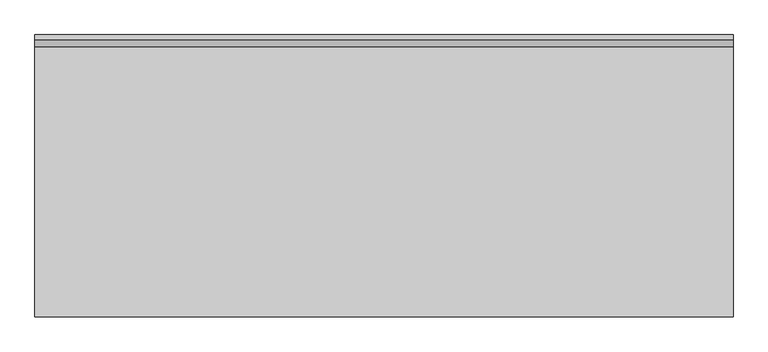
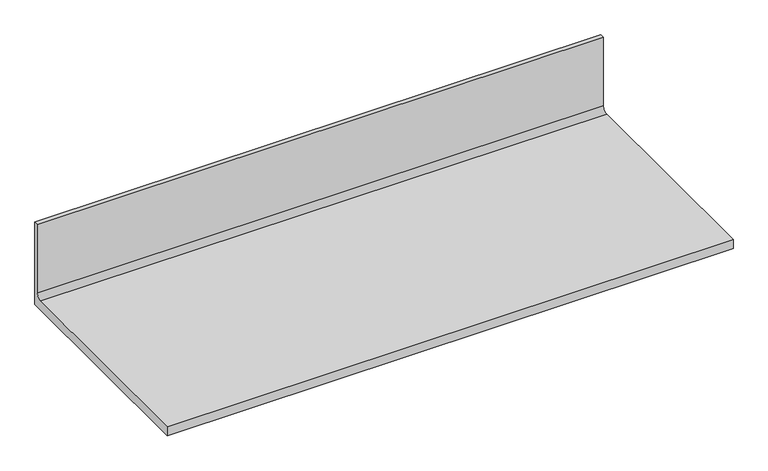
"""IFC4 building model written with IfcOpenShell, lengths in millimetres: furniture geometry."""

import ifcopenshell
import ifcopenshell.guid

model = None  # the IFC model being written
_history = None  # IfcOwnerHistory: only IFC2X3 demands one
_inside = {}  # id of a spatial element -> (the spatial element, [elements in it])
_under = {}  # id of a project, library or spatial element -> (it, [spatial elements below it])
_declared = {}  # id of a project -> (the project, [libraries it declares])
_typed = {}  # id of a type object -> (the type object, [elements of that type])
_made_of = {}  # id of a material, layer set ... -> (it, [elements and type objects made of it])


def new_model(schema):
    """Start an empty IFC model of exactly this schema.

    Asked for "IFC4X3", IfcOpenShell would pick the latest addendum, in which some entities
    have other attributes; the version numbers below select the first issue.
    IFC2X3 requires an IfcOwnerHistory on every rooted entity: one is made here for all.
    """
    global model, _history
    if schema == "IFC4X3":
        model = ifcopenshell.file(schema_version=(4, 3, 0, 0))
    else:
        model = ifcopenshell.file(schema=schema)
    _inside.clear()
    _under.clear()
    _declared.clear()
    _typed.clear()
    _made_of.clear()
    _history = None
    if model.schema == "IFC2X3":
        org = make("IfcOrganization", Name="unknown")
        user = make(
            "IfcPersonAndOrganization",
            ThePerson=make("IfcPerson", FamilyName="unknown"),
            TheOrganization=org,
        )
        app = make(
            "IfcApplication",
            ApplicationDeveloper=org,
            Version="unknown",
            ApplicationFullName="unknown",
            ApplicationIdentifier="unknown",
        )
        _history = make(
            "IfcOwnerHistory",
            OwningUser=user,
            OwningApplication=app,
            ChangeAction="ADDED",
            CreationDate=0,
        )
    return model


def make(cls, **values):
    """One entity of the class cls with the attributes given. An attribute that is None is left unset."""
    return model.create_entity(
        cls, **{name: value for name, value in values.items() if value is not None}
    )


def rooted(cls, **values):
    """An entity with a GlobalId (a new one), such as an element, a storey or a relation."""
    return make(cls, GlobalId=ifcopenshell.guid.new(), OwnerHistory=_history, **values)


def si_unit(unit_type, name, prefix=None):
    """IfcSIUnit, for example si_unit("LENGTHUNIT", "METRE", prefix="MILLI")."""
    return make("IfcSIUnit", UnitType=unit_type, Prefix=prefix, Name=name)


def assignment(units):
    """IfcUnitAssignment: the units of a project."""
    return None if units is None else make("IfcUnitAssignment", Units=units)


def point(xyz):
    """IfcCartesianPoint."""
    return None if xyz is None else make("IfcCartesianPoint", Coordinates=xyz)


def direction(xyz):
    """IfcDirection."""
    return None if xyz is None else make("IfcDirection", DirectionRatios=xyz)


def frame(location, z_axis=None, x_axis=None):
    """IfcAxis2Placement3D, a coordinate frame: its origin and axes. An axis left out is left unset."""
    return make(
        "IfcAxis2Placement3D",
        Location=point(location),
        Axis=direction(z_axis),
        RefDirection=direction(x_axis),
    )


def frame_2d(location, x_axis=None):
    """IfcAxis2Placement2D, a coordinate frame in the plane: its origin and x axis."""
    return make(
        "IfcAxis2Placement2D", Location=point(location), RefDirection=direction(x_axis)
    )


def origin():
    """The frame at (0, 0, 0) with its axes left unset."""
    return frame((0.0, 0.0, 0.0))


def place(relative_to, where):
    """IfcLocalPlacement: puts the frame where relative to a parent placement (None: the world)."""
    return make(
        "IfcLocalPlacement", PlacementRelTo=relative_to, RelativePlacement=where
    )


def context(
    kind, dimensions, precision=None, world=None, true_north=None, identifier=None
):
    """IfcGeometricRepresentationContext, for example the 3D "Model" context."""
    return make(
        "IfcGeometricRepresentationContext",
        ContextIdentifier=identifier,
        ContextType=kind,
        CoordinateSpaceDimension=dimensions,
        Precision=precision,
        WorldCoordinateSystem=world,
        TrueNorth=true_north,
    )


def project(units=None, contexts=None):
    """IfcProject with its units and contexts."""
    return rooted(
        "IfcProject",
        Name="project",
        RepresentationContexts=contexts,
        UnitsInContext=assignment(units),
    )


def spatial(cls, under=None, at=None, **own):
    """A site, building, storey or space (cls), placed at a placement, below another one or the project."""
    s = rooted(cls, ObjectPlacement=at, **own)
    if under is not None:
        _under.setdefault(under.id(), (under, []))[1].append(s)
    return s


def polyline(points):
    """IfcPolyline through the points."""
    return make("IfcPolyline", Points=[point(p) for p in points])


def circle_curve(where, radius):
    """IfcCircle in the frame where."""
    return make("IfcCircle", Position=where, Radius=radius)


def trimmed(basis, trim1, trim2, sense, master):
    """IfcTrimmedCurve: the piece of a basis curve between two trims."""
    return make(
        "IfcTrimmedCurve",
        BasisCurve=basis,
        Trim1=trim1,
        Trim2=trim2,
        SenseAgreement=sense,
        MasterRepresentation=master,
    )


def segment(curve, same_sense, transition):
    """IfcCompositeCurveSegment."""
    return make(
        "IfcCompositeCurveSegment",
        Transition=transition,
        SameSense=same_sense,
        ParentCurve=curve,
    )


def composite_curve(segments, self_intersect=None):
    """IfcCompositeCurve: segments joined end to end."""
    return make("IfcCompositeCurve", Segments=segments, SelfIntersect=self_intersect)


def outline(outer, holes=None, kind="AREA"):
    """IfcArbitraryClosedProfileDef: a profile drawn as a closed curve; with holes, ...WithVoids."""
    if holes is None:
        return make("IfcArbitraryClosedProfileDef", ProfileType=kind, OuterCurve=outer)
    return make(
        "IfcArbitraryProfileDefWithVoids",
        ProfileType=kind,
        OuterCurve=outer,
        InnerCurves=holes,
    )


def extrude(swept, where, along, depth):
    """IfcExtrudedAreaSolid: the profile swept, set in the frame where, extruded along a direction by depth."""
    return make(
        "IfcExtrudedAreaSolid",
        SweptArea=swept,
        Position=where,
        ExtrudedDirection=direction(along),
        Depth=depth,
    )


def shape(context_of_items, identifier, shape_type, items):
    """IfcShapeRepresentation: the items that make up one representation, for example the "Body"."""
    return make(
        "IfcShapeRepresentation",
        ContextOfItems=context_of_items,
        RepresentationIdentifier=identifier,
        RepresentationType=shape_type,
        Items=items,
    )


def source(mapping_origin, context_of_items, identifier, shape_type, items):
    """IfcRepresentationMap: a shape defined once, which mapped items show again and again."""
    return make(
        "IfcRepresentationMap",
        MappingOrigin=mapping_origin,
        MappedRepresentation=shape(context_of_items, identifier, shape_type, items),
    )


def transform(
    local_origin,
    x_axis=None,
    y_axis=None,
    z_axis=None,
    scale=None,
    scale2=None,
    scale3=None,
    uniform=True,
):
    """IfcCartesianTransformationOperator3D, or its non-uniform kind. x_axis, y_axis, z_axis: its Axis1, 2, 3."""
    if uniform:
        return make(
            "IfcCartesianTransformationOperator3D",
            Axis1=direction(x_axis),
            Axis2=direction(y_axis),
            LocalOrigin=point(local_origin),
            Scale=scale,
            Axis3=direction(z_axis),
        )
    return make(
        "IfcCartesianTransformationOperator3DnonUniform",
        Axis1=direction(x_axis),
        Axis2=direction(y_axis),
        LocalOrigin=point(local_origin),
        Scale=scale,
        Axis3=direction(z_axis),
        Scale2=scale2,
        Scale3=scale3,
    )


def mapped(mapping_source, mapping_target):
    """IfcMappedItem: shows the shape of a source again, moved by a transform."""
    return make(
        "IfcMappedItem", MappingSource=mapping_source, MappingTarget=mapping_target
    )


def made_of(thing, what):
    """Note that an element or type object is made of a material, layer set ...; save() writes the relation."""
    if what is not None:
        _made_of.setdefault(what.id(), (what, []))[1].append(thing)
    return thing


def element(
    cls,
    number,
    at=None,
    inside=None,
    cuts=None,
    type_object=None,
    material=None,
    context=None,
    identifier="Body",
    shape_type=None,
    held_by="IfcProductDefinitionShape",
    body=None,
    shapes=None,
    **own,
):
    """One element of the class cls, such as IfcWall. Its Tag is "e" and its number.

    at: its placement. inside: the storey or other place that contains it. cuts: it is an
    opening in that element (IfcRelVoidsElement). A single representation is given by context,
    identifier, shape_type and body (its items); several are given by shapes. held_by: the class
    of the entity that holds the representations. save() writes the other relations.
    """
    e = rooted(cls, Tag="e%d" % number, ObjectPlacement=at, **own)
    if body is not None:
        shapes = [shape(context, identifier, shape_type, body)]
    if shapes is not None:
        e.Representation = make(held_by, Representations=shapes)
    if inside is not None:
        _inside.setdefault(inside.id(), (inside, []))[1].append(e)
    if cuts is not None:
        rooted(
            "IfcRelVoidsElement", RelatingBuildingElement=cuts, RelatedOpeningElement=e
        )
    if type_object is not None:
        _typed.setdefault(type_object.id(), (type_object, []))[1].append(e)
    return made_of(e, material)


def aggregate(whole, parts):
    """IfcRelAggregates: a whole, such as a stair, and the parts it consists of."""
    return rooted("IfcRelAggregates", RelatingObject=whole, RelatedObjects=parts)


def save(model, path):
    """Write the relations noted so far, then the file.

    IfcRelAggregates (storeys below a building ...), IfcRelContainedInSpatialStructure (elements
    in a storey), IfcRelDefinesByType, IfcRelAssociatesMaterial and IfcRelDeclares: one each for
    every whole, place, type object, material and project.
    """
    for whole, parts in _under.values():
        aggregate(whole, parts)
    for where, things in _inside.values():
        rooted(
            "IfcRelContainedInSpatialStructure",
            RelatedElements=things,
            RelatingStructure=where,
        )
    for kind, things in _typed.values():
        rooted("IfcRelDefinesByType", RelatedObjects=things, RelatingType=kind)
    for what, things in _made_of.values():
        rooted("IfcRelAssociatesMaterial", RelatedObjects=things, RelatingMaterial=what)
    for by, libraries in _declared.values():
        rooted("IfcRelDeclares", RelatingContext=by, RelatedDefinitions=libraries)
    model.write(path)


def furniture_a12bc84d(model_context):
    return source(origin(), model_context, "Body", "SweptSolid", [
        extrude(outline(composite_curve([segment(polyline([(0.0, 679.45), (-615.95, 679.45), (-615.95, 704.85), (-25.8191, 704.85)]), True, "CONTINUOUS"), segment(trimmed(circle_curve(frame_2d((-25.8191, 719.5566)), 14.7066), [point((-25.8191, 704.85))], [point((-11.1125, 719.5566))], True, "CARTESIAN"), True, "CONTINUOUS"), segment(polyline([(-11.1125, 719.5566), (-11.1125, 914.4), (0.0, 914.4), (0.0, 679.45)]), True, "CONTINUOUS")], self_intersect=False)), frame((0.0, 0.0, 0.0), z_axis=(1.0, 0.0, 0.0), x_axis=(0.0, 1.0, 0.0)), (0.0, 0.0, 1.0), 1524.0),
    ])


if __name__ == "__main__":
    model = new_model("IFC4")
    model_context = context("Model", 3, world=origin())
    ifc_project = project(units=[si_unit("LENGTHUNIT", "METRE", prefix="MILLI")], contexts=[model_context])
    site = spatial("IfcSite", under=ifc_project)
    building = spatial("IfcBuilding", under=site)
    placement = place(None, origin())
    furniture_shape = furniture_a12bc84d(model_context)
    element("IfcFurniture", 1, at=placement, inside=building, context=model_context, shape_type="MappedRepresentation", body=[
        mapped(furniture_shape, transform((0.0, 0.0, 0.0), x_axis=(1.0, 0.0, 0.0), y_axis=(0.0, 1.0, 0.0), z_axis=(0.0, 0.0, 1.0))),
    ])
    save(model, "model.ifc")
